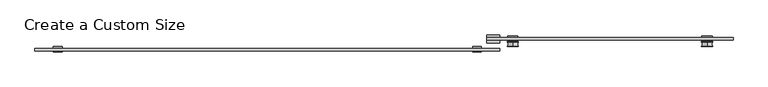
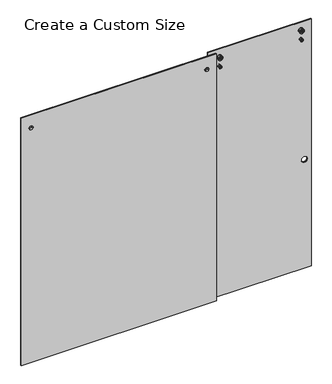
"""IFC4 building model written with IfcOpenShell, lengths in millimetres: proxy geometry, Create a Custom Size."""

from ifc_helpers import new_model, si_unit, point, frame, frame_2d, origin, place, context, project, spatial, polyline, circle_curve, ellipse_curve, trimmed, segment, composite_curve, outline, extrude, source, transform, mapped, element, save
from ifc_brep_helpers import plane_surface, cylinder_surface, revolved_surface, advanced_brep


def create_a_custom_size_71fc6b67(model_context):
    return source(origin(), model_context, "Body", "SolidModel", [
        extrude(outline(polyline([(22.954, 0.0), (22.954, 21.2725), (33.8125, 21.2725), (33.8125, 4.2672), (43.3375, 4.2672), (43.3375, 21.2725), (54.196, 21.2725), (54.196, 0.0), (22.954, 0.0)])), frame((401.6375, 0.0, 0.0), z_axis=(1.0, 0.0, 0.0), x_axis=(0.0, 1.0, 0.0)), (0.0, 0.0, 1.0), 50.8225782),
        advanced_brep(
        [(363.5375, 7.14375, 2316.3609375), (380.6825, 7.14375, 2316.3609375), (346.3925, 7.14375, 2316.3609375), (346.3925, -13.7914063, 2316.3609375), (380.6825, -13.7914063, 2316.3609375), (363.5375, -13.7914063, 2316.3609375), (346.3925, -8.73125, 2316.3609375), (380.6825, -8.73125, 2316.3609375), (357.1875, -8.73125, 2316.3609375), (369.8875, -8.73125, 2316.3609375), (357.1875, 0.79375, 2316.3609375), (369.8875, 0.79375, 2316.3609375), (346.3925, 0.79375, 2316.3609375), (380.6825, 0.79375, 2316.3609375)],
        [
            (0, 1),
            (1, 2, circle_curve(frame((363.5375, 7.14375, 2316.3609375), z_axis=(0.0, 1.0, 0.0), x_axis=(1.0, 0.0, 0.0)), 17.145)),
            (2, 0),
            (2, 1, circle_curve(frame((363.5375, 7.14375, 2316.3609375), z_axis=(0.0, 1.0, 0.0), x_axis=(1.0, 0.0, 0.0)), 17.145)),
            (3, 4, circle_curve(frame((363.5375, -13.7914063, 2316.3609375), z_axis=(0.0, -1.0, 0.0), x_axis=(1.0, 0.0, 0.0)), 17.145)),
            (4, 5),
            (5, 3),
            (4, 3, circle_curve(frame((363.5375, -13.7914063, 2316.3609375), z_axis=(0.0, -1.0, 0.0), x_axis=(1.0, 0.0, 0.0)), 17.145)),
            (6, 7, circle_curve(frame((363.5375, -8.73125, 2316.3609375), z_axis=(0.0, -1.0, 0.0), x_axis=(1.0, 0.0, 0.0)), 17.145)),
            (7, 4),
            (3, 6),
            (7, 6, circle_curve(frame((363.5375, -8.73125, 2316.3609375), z_axis=(0.0, -1.0, 0.0), x_axis=(1.0, 0.0, 0.0)), 17.145)),
            (8, 9, circle_curve(frame((363.5375, -8.73125, 2316.3609375), z_axis=(0.0, -1.0, 0.0), x_axis=(1.0, 0.0, 0.0)), 6.35)),
            (9, 7),
            (6, 8),
            (9, 8, circle_curve(frame((363.5375, -8.73125, 2316.3609375), z_axis=(0.0, -1.0, 0.0), x_axis=(1.0, 0.0, 0.0)), 6.35)),
            (10, 11, circle_curve(frame((363.5375, 0.79375, 2316.3609375), z_axis=(0.0, -1.0, 0.0), x_axis=(1.0, 0.0, 0.0)), 6.35)),
            (11, 9),
            (8, 10),
            (11, 10, circle_curve(frame((363.5375, 0.79375, 2316.3609375), z_axis=(0.0, -1.0, 0.0), x_axis=(1.0, 0.0, 0.0)), 6.35)),
            (12, 13, circle_curve(frame((363.5375, 0.79375, 2316.3609375), z_axis=(0.0, -1.0, 0.0), x_axis=(1.0, 0.0, 0.0)), 17.145)),
            (13, 11),
            (10, 12),
            (13, 12, circle_curve(frame((363.5375, 0.79375, 2316.3609375), z_axis=(0.0, -1.0, 0.0), x_axis=(1.0, 0.0, 0.0)), 17.145)),
            (1, 13),
            (12, 2),
        ],
        [
            plane_surface(frame((363.5375, 7.14375, 2316.3609375), z_axis=(0.0, 1.0, 0.0), x_axis=(1.0, 0.0, 0.0))),
            plane_surface(frame((363.5375, -13.7914063, 2316.3609375), z_axis=(0.0, -1.0, 0.0), x_axis=(1.0, 0.0, 0.0))),
            cylinder_surface(frame((363.5375, 7.14375, 2316.3609375), z_axis=(0.0, 1.0, 0.0), x_axis=(1.0, 0.0, 0.0)), 17.145),
            plane_surface(frame((363.5375, -8.73125, 2316.3609375), z_axis=(0.0, 1.0, 0.0), x_axis=(1.0, 0.0, 0.0))),
            cylinder_surface(frame((363.5375, 7.14375, 2316.3609375), z_axis=(0.0, 1.0, 0.0), x_axis=(1.0, 0.0, 0.0)), 6.35),
            plane_surface(frame((363.5375, 0.79375, 2316.3609375), z_axis=(0.0, -1.0, 0.0), x_axis=(1.0, 0.0, 0.0))),
        ],
        [
            (0, [[1, 2, 3]]),
            (0, [[-3, 4, -1]]),
            (1, [[5, 6, 7]]),
            (1, [[8, -7, -6]]),
            (2, [[9, 10, -5, 11]]),
            (2, [[12, -11, -8, -10]]),
            (3, [[13, 14, -9, 15]]),
            (3, [[16, -15, -12, -14]]),
            (4, [[17, 18, -13, 19]]),
            (4, [[20, -19, -16, -18]]),
            (5, [[21, 22, -17, 23]]),
            (5, [[24, -23, -20, -22]]),
            (2, [[-2, 25, -21, 26]]),
            (2, [[-4, -26, -24, -25]]),
        ],
    ),
        advanced_brep(
        [(-1274.7625, 7.14375, 2316.3609375), (-1257.6175, 7.14375, 2316.3609375), (-1291.9075, 7.14375, 2316.3609375), (-1291.9075, -13.7914063, 2316.3609375), (-1257.6175, -13.7914063, 2316.3609375), (-1274.7625, -13.7914063, 2316.3609375), (-1291.9075, -8.73125, 2316.3609375), (-1257.6175, -8.73125, 2316.3609375), (-1281.1125, -8.73125, 2316.3609375), (-1268.4125, -8.73125, 2316.3609375), (-1281.1125, 0.79375, 2316.3609375), (-1268.4125, 0.79375, 2316.3609375), (-1291.9075, 0.79375, 2316.3609375), (-1257.6175, 0.79375, 2316.3609375)],
        [
            (0, 1),
            (1, 2, circle_curve(frame((-1274.7625, 7.14375, 2316.3609375), z_axis=(0.0, 1.0, 0.0), x_axis=(1.0, 0.0, 0.0)), 17.145)),
            (2, 0),
            (2, 1, circle_curve(frame((-1274.7625, 7.14375, 2316.3609375), z_axis=(0.0, 1.0, 0.0), x_axis=(1.0, 0.0, 0.0)), 17.145)),
            (3, 4, circle_curve(frame((-1274.7625, -13.7914063, 2316.3609375), z_axis=(0.0, -1.0, 0.0), x_axis=(1.0, 0.0, 0.0)), 17.145)),
            (4, 5),
            (5, 3),
            (4, 3, circle_curve(frame((-1274.7625, -13.7914063, 2316.3609375), z_axis=(0.0, -1.0, 0.0), x_axis=(1.0, 0.0, 0.0)), 17.145)),
            (6, 7, circle_curve(frame((-1274.7625, -8.73125, 2316.3609375), z_axis=(0.0, -1.0, 0.0), x_axis=(1.0, 0.0, 0.0)), 17.145)),
            (7, 4),
            (3, 6),
            (7, 6, circle_curve(frame((-1274.7625, -8.73125, 2316.3609375), z_axis=(0.0, -1.0, 0.0), x_axis=(1.0, 0.0, 0.0)), 17.145)),
            (8, 9, circle_curve(frame((-1274.7625, -8.73125, 2316.3609375), z_axis=(0.0, -1.0, 0.0), x_axis=(1.0, 0.0, 0.0)), 6.35)),
            (9, 7),
            (6, 8),
            (9, 8, circle_curve(frame((-1274.7625, -8.73125, 2316.3609375), z_axis=(0.0, -1.0, 0.0), x_axis=(1.0, 0.0, 0.0)), 6.35)),
            (10, 11, circle_curve(frame((-1274.7625, 0.79375, 2316.3609375), z_axis=(0.0, -1.0, 0.0), x_axis=(1.0, 0.0, 0.0)), 6.35)),
            (11, 9),
            (8, 10),
            (11, 10, circle_curve(frame((-1274.7625, 0.79375, 2316.3609375), z_axis=(0.0, -1.0, 0.0), x_axis=(1.0, 0.0, 0.0)), 6.35)),
            (12, 13, circle_curve(frame((-1274.7625, 0.79375, 2316.3609375), z_axis=(0.0, -1.0, 0.0), x_axis=(1.0, 0.0, 0.0)), 17.145)),
            (13, 11),
            (10, 12),
            (13, 12, circle_curve(frame((-1274.7625, 0.79375, 2316.3609375), z_axis=(0.0, -1.0, 0.0), x_axis=(1.0, 0.0, 0.0)), 17.145)),
            (1, 13),
            (12, 2),
        ],
        [
            plane_surface(frame((-1274.7625, 7.14375, 2316.3609375), z_axis=(0.0, 1.0, 0.0), x_axis=(1.0, 0.0, 0.0))),
            plane_surface(frame((-1274.7625, -13.7914063, 2316.3609375), z_axis=(0.0, -1.0, 0.0), x_axis=(1.0, 0.0, 0.0))),
            cylinder_surface(frame((-1274.7625, 7.14375, 2316.3609375), z_axis=(0.0, 1.0, 0.0), x_axis=(1.0, 0.0, 0.0)), 17.145),
            plane_surface(frame((-1274.7625, -8.73125, 2316.3609375), z_axis=(0.0, 1.0, 0.0), x_axis=(1.0, 0.0, 0.0))),
            cylinder_surface(frame((-1274.7625, 7.14375, 2316.3609375), z_axis=(0.0, 1.0, 0.0), x_axis=(1.0, 0.0, 0.0)), 6.35),
            plane_surface(frame((-1274.7625, 0.79375, 2316.3609375), z_axis=(0.0, -1.0, 0.0), x_axis=(1.0, 0.0, 0.0))),
        ],
        [
            (0, [[1, 2, 3]]),
            (0, [[-3, 4, -1]]),
            (1, [[5, 6, 7]]),
            (1, [[8, -7, -6]]),
            (2, [[9, 10, -5, 11]]),
            (2, [[12, -11, -8, -10]]),
            (3, [[13, 14, -9, 15]]),
            (3, [[16, -15, -12, -14]]),
            (4, [[17, 18, -13, 19]]),
            (4, [[20, -19, -16, -18]]),
            (5, [[21, 22, -17, 23]]),
            (5, [[24, -23, -20, -22]]),
            (2, [[-2, 25, -21, 26]]),
            (2, [[-4, -26, -24, -25]]),
        ],
    ),
        extrude(outline(polyline([(452.4375, -8.73125), (-1363.6625, -8.73125), (-1363.6625, 0.79375), (452.4375, 0.79375), (452.4375, -8.73125)])), frame((0.0, 0.0, 6.35), z_axis=(0.0, 0.0, 1.0), x_axis=(1.0, 0.0, 0.0)), (0.0, 0.0, 1.0), 2432.05),
        advanced_brep(
        [(1262.0625, 7.5883812, 2280.5082127), (1262.0625, 7.5883812, 2272.8386623), (1262.0625, 7.5883812, 2275.0859375), (1262.0625, 7.5883812, 2278.2609375), (1262.0625, 8.985918, 2288.9389114), (1262.0625, 8.985918, 2264.4079636), (1262.0625, 7.6256516, 2265.2379605), (1262.0625, 7.6256516, 2288.1089145), (1262.0625, 26.3538192, 2289.0064616), (1262.0625, 26.3538192, 2264.3404134), (1262.0625, 27.4625, 2278.2609375), (1262.0625, 27.4625, 2275.0859375), (1262.0625, 27.4625, 2264.3404134), (1262.0625, 27.4625, 2289.0064616), (1262.0625, 8.6630529, 2280.5082127), (1262.0625, 8.6630529, 2272.8386623), (1262.0625, 8.6630529, 2283.6596289), (1262.0625, 8.6630529, 2269.6872461), (1262.0625, 7.6256516, 2283.6596289), (1262.0625, 7.6256516, 2269.6872461)],
        [
            (0, 1, circle_curve(frame((1262.0625, 7.5883812, 2276.6734375), z_axis=(0.0, -1.0, 0.0), x_axis=(0.0, 0.0, -1.0)), 3.8347752)),
            (1, 2),
            (2, 3, circle_curve(frame((1262.0625, 7.5883812, 2276.6734375), z_axis=(0.0, 1.0, 0.0), x_axis=(0.0, 0.0, -1.0)), 1.5875)),
            (3, 0),
            (1, 0, circle_curve(frame((1262.0625, 7.5883812, 2276.6734375), z_axis=(0.0, -1.0, 0.0), x_axis=(0.0, 0.0, -1.0)), 3.8347752)),
            (3, 2, circle_curve(frame((1262.0625, 7.5883812, 2276.6734375), z_axis=(0.0, 1.0, 0.0), x_axis=(0.0, 0.0, -1.0)), 1.5875)),
            (4, 5, circle_curve(frame((1262.0625, 8.985918, 2276.6734375), z_axis=(0.0, -1.0, 0.0), x_axis=(0.0, 0.0, -1.0)), 12.2654739)),
            (5, 6, circle_curve(frame((1262.0625, 8.5590054, 2265.2379605), z_axis=(-1.0, 0.0, 0.0), x_axis=(0.0, 1.0, 0.0)), 0.9333538)),
            (6, 7, circle_curve(frame((1262.0625, 7.6256516, 2276.6734375), z_axis=(0.0, 1.0, 0.0), x_axis=(0.0, 0.0, -1.0)), 11.435477)),
            (7, 4, circle_curve(frame((1262.0625, 8.5590054, 2288.1089145), z_axis=(-1.0, 0.0, 0.0), x_axis=(0.0, 1.0, 0.0)), 0.9333538)),
            (5, 4, circle_curve(frame((1262.0625, 8.985918, 2276.6734375), z_axis=(0.0, -1.0, 0.0), x_axis=(0.0, 0.0, -1.0)), 12.2654739)),
            (7, 6, circle_curve(frame((1262.0625, 7.6256516, 2276.6734375), z_axis=(0.0, 1.0, 0.0), x_axis=(0.0, 0.0, -1.0)), 11.435477)),
            (8, 9, circle_curve(frame((1262.0625, 26.3538192, 2276.6734375), z_axis=(0.0, -1.0, 0.0), x_axis=(0.0, 0.0, -1.0)), 12.3330241)),
            (9, 5, circle_curve(frame((1262.0625, 17.5686149, 2238.3407643), z_axis=(1.0, 0.0, 0.0), x_axis=(0.0, 1.0, 0.0)), 27.4437892)),
            (4, 8, circle_curve(frame((1262.0625, 17.5686149, 2315.0061107), z_axis=(1.0, 0.0, 0.0), x_axis=(0.0, 1.0, 0.0)), 27.4437892)),
            (9, 8, circle_curve(frame((1262.0625, 26.3538192, 2276.6734375), z_axis=(0.0, -1.0, 0.0), x_axis=(0.0, 0.0, -1.0)), 12.3330241)),
            (10, 11, circle_curve(frame((1262.0625, 27.4625, 2276.6734375), z_axis=(0.0, -1.0, 0.0), x_axis=(0.0, 0.0, -1.0)), 1.5875)),
            (11, 12),
            (12, 13, circle_curve(frame((1262.0625, 27.4625, 2276.6734375), z_axis=(0.0, 1.0, 0.0), x_axis=(0.0, 0.0, -1.0)), 12.3330241)),
            (13, 10),
            (11, 10, circle_curve(frame((1262.0625, 27.4625, 2276.6734375), z_axis=(0.0, -1.0, 0.0), x_axis=(0.0, 0.0, -1.0)), 1.5875)),
            (13, 12, circle_curve(frame((1262.0625, 27.4625, 2276.6734375), z_axis=(0.0, 1.0, 0.0), x_axis=(0.0, 0.0, -1.0)), 12.3330241)),
            (2, 11),
            (10, 3),
            (14, 15, circle_curve(frame((1262.0625, 8.6630529, 2276.6734375), z_axis=(0.0, -1.0, 0.0), x_axis=(0.0, 0.0, -1.0)), 3.8347752)),
            (15, 1),
            (0, 14),
            (15, 14, circle_curve(frame((1262.0625, 8.6630529, 2276.6734375), z_axis=(0.0, -1.0, 0.0), x_axis=(0.0, 0.0, -1.0)), 3.8347752)),
            (16, 17, circle_curve(frame((1262.0625, 8.6630529, 2276.6734375), z_axis=(0.0, -1.0, 0.0), x_axis=(0.0, 0.0, -1.0)), 6.9861914)),
            (17, 15),
            (14, 16),
            (17, 16, circle_curve(frame((1262.0625, 8.6630529, 2276.6734375), z_axis=(0.0, -1.0, 0.0), x_axis=(0.0, 0.0, -1.0)), 6.9861914)),
            (18, 19, circle_curve(frame((1262.0625, 7.6256516, 2276.6734375), z_axis=(0.0, -1.0, 0.0), x_axis=(0.0, 0.0, -1.0)), 6.9861914)),
            (19, 17),
            (16, 18),
            (19, 18, circle_curve(frame((1262.0625, 7.6256516, 2276.6734375), z_axis=(0.0, -1.0, 0.0), x_axis=(0.0, 0.0, -1.0)), 6.9861914)),
            (6, 19),
            (18, 7),
            (12, 9),
            (8, 13),
        ],
        [
            plane_surface(frame((1262.0625, 7.5883812, 2276.6734375), z_axis=(0.0, -1.0, 0.0), x_axis=(0.0, 0.0, -1.0))),
            revolved_surface(trimmed(ellipse_curve(frame((1262.0625, 8.5590054, 2265.2379605), z_axis=(1.0, 0.0, 0.0), x_axis=(0.0, 1.0, 0.0)), 0.9333538, 0.9333538), [point((1262.0625, 7.6256516, 2265.2379605))], [point((1262.0625, 8.985918, 2264.4079636))], True, "CARTESIAN"), (1262.0625, -13.5349359, 2276.6734375), (0.0, 1.0, 0.0)),
            revolved_surface(trimmed(ellipse_curve(frame((1262.0625, 17.5686149, 2238.3407643), z_axis=(-1.0, 0.0, 0.0), x_axis=(0.0, 1.0, 0.0)), 27.4437892, 27.4437892), [point((1262.0625, 8.985918, 2264.4079636))], [point((1262.0625, 26.3538192, 2264.3404134))], True, "CARTESIAN"), (1262.0625, -13.5349359, 2276.6734375), (0.0, 1.0, 0.0)),
            plane_surface(frame((1262.0625, 27.4625, 2276.6734375), z_axis=(0.0, 1.0, 0.0), x_axis=(0.0, 0.0, -1.0))),
            revolved_surface(polyline([(1262.0625, 27.4625, 2275.0859375), (1262.0625, 7.588381200000001, 2275.0859375)]), (1262.0625, -13.5349359, 2276.6734375), (0.0, 1.0, 0.0)),
            cylinder_surface(frame((1262.0625, -13.5349359, 2276.6734375), z_axis=(0.0, 1.0, 0.0), x_axis=(0.0, 0.0, -1.0)), 3.8347752),
            plane_surface(frame((1262.0625, 8.6630529, 2276.6734375), z_axis=(0.0, -1.0, 0.0), x_axis=(0.0, 0.0, -1.0))),
            revolved_surface(polyline([(1262.0625, 8.6630529, 2269.6872461000003), (1262.0625, 7.625651600000001, 2269.6872461000003)]), (1262.0625, -13.5349359, 2276.6734375), (0.0, 1.0, 0.0)),
            plane_surface(frame((1262.0625, 7.6256516, 2276.6734375), z_axis=(0.0, -1.0, 0.0), x_axis=(0.0, 0.0, -1.0))),
            cylinder_surface(frame((1262.0625, -13.5349359, 2276.6734375), z_axis=(0.0, 1.0, 0.0), x_axis=(0.0, 0.0, -1.0)), 12.3330241),
        ],
        [
            (0, [[1, 2, 3, 4]]),
            (0, [[5, -4, 6, -2]]),
            (1, [[7, 8, 9, 10]]),
            (1, [[11, -10, 12, -8]]),
            (2, [[13, 14, -7, 15]]),
            (2, [[16, -15, -11, -14]]),
            (3, [[17, 18, 19, 20]]),
            (3, [[21, -20, 22, -18]]),
            (4, [[-3, 23, -17, 24]]),
            (4, [[-6, -24, -21, -23]]),
            (5, [[25, 26, -1, 27]]),
            (5, [[28, -27, -5, -26]]),
            (6, [[29, 30, -25, 31]]),
            (6, [[32, -31, -28, -30]]),
            (7, [[33, 34, -29, 35]]),
            (7, [[36, -35, -32, -34]]),
            (8, [[-9, 37, -33, 38]]),
            (8, [[-12, -38, -36, -37]]),
            (9, [[-19, 39, -13, 40]]),
            (9, [[-22, -40, -16, -39]]),
        ],
    ),
        advanced_brep(
        [(1262.0625, 23.9534145, 2379.5365624), (1262.0625, 23.9534145, 2351.6103126), (1262.0625, 27.4625, 2351.6103126), (1262.0625, 27.4625, 2379.5365624), (1262.0625, 23.9534145, 2371.8068419), (1262.0625, 23.9534145, 2359.3400331), (1262.0625, 27.4625, 2371.8068419), (1262.0625, 27.4625, 2359.3400331), (1262.0625, 27.4625, 2367.1609375), (1262.0625, 27.4625, 2363.9859375), (1262.0625, 7.4625, 2371.8068419), (1262.0625, 7.4625, 2359.3400331), (1262.0625, 7.4625, 2363.9859375), (1262.0625, 7.4625, 2367.1609375), (1262.0625, 8.6630529, 2371.8068419), (1262.0625, 8.6630529, 2359.3400331), (1262.0625, 8.6630529, 2379.5365624), (1262.0625, 8.6630529, 2351.6103126), (1262.0625, 7.4625, 2379.5365624), (1262.0625, 7.4625, 2351.6103126), (1262.0625, 7.4625, 2386.5122212), (1262.0625, 7.4625, 2344.6346538), (1262.0625, 8.8478411, 2387.4587111), (1262.0625, 8.8478411, 2343.6881639), (1262.0625, 26.0771589, 2387.4587111), (1262.0625, 26.0771589, 2343.6881639), (1262.0625, 27.4625, 2386.5122212), (1262.0625, 27.4625, 2344.6346538)],
        [
            (0, 1, circle_curve(frame((1262.0625, 23.9534145, 2365.5734375), z_axis=(0.0, -1.0, 0.0), x_axis=(0.0, 0.0, -1.0)), 13.9631249)),
            (1, 2),
            (2, 3, circle_curve(frame((1262.0625, 27.4625, 2365.5734375), z_axis=(0.0, 1.0, 0.0), x_axis=(0.0, 0.0, -1.0)), 13.9631249)),
            (3, 0),
            (1, 0, circle_curve(frame((1262.0625, 23.9534145, 2365.5734375), z_axis=(0.0, -1.0, 0.0), x_axis=(0.0, 0.0, -1.0)), 13.9631249)),
            (3, 2, circle_curve(frame((1262.0625, 27.4625, 2365.5734375), z_axis=(0.0, 1.0, 0.0), x_axis=(0.0, 0.0, -1.0)), 13.9631249)),
            (4, 5, circle_curve(frame((1262.0625, 23.9534145, 2365.5734375), z_axis=(0.0, -1.0, 0.0), x_axis=(0.0, 0.0, -1.0)), 6.2334044)),
            (5, 1),
            (0, 4),
            (5, 4, circle_curve(frame((1262.0625, 23.9534145, 2365.5734375), z_axis=(0.0, -1.0, 0.0), x_axis=(0.0, 0.0, -1.0)), 6.2334044)),
            (6, 7, circle_curve(frame((1262.0625, 27.4625, 2365.5734375), z_axis=(0.0, -1.0, 0.0), x_axis=(0.0, 0.0, -1.0)), 6.2334044)),
            (7, 5),
            (4, 6),
            (7, 6, circle_curve(frame((1262.0625, 27.4625, 2365.5734375), z_axis=(0.0, -1.0, 0.0), x_axis=(0.0, 0.0, -1.0)), 6.2334044)),
            (8, 9, circle_curve(frame((1262.0625, 27.4625, 2365.5734375), z_axis=(0.0, -1.0, 0.0), x_axis=(0.0, 0.0, -1.0)), 1.5875)),
            (9, 7),
            (6, 8),
            (9, 8, circle_curve(frame((1262.0625, 27.4625, 2365.5734375), z_axis=(0.0, -1.0, 0.0), x_axis=(0.0, 0.0, -1.0)), 1.5875)),
            (10, 11, circle_curve(frame((1262.0625, 7.4625, 2365.5734375), z_axis=(0.0, -1.0, 0.0), x_axis=(0.0, 0.0, -1.0)), 6.2334044)),
            (11, 12),
            (12, 13, circle_curve(frame((1262.0625, 7.4625, 2365.5734375), z_axis=(0.0, 1.0, 0.0), x_axis=(0.0, 0.0, -1.0)), 1.5875)),
            (13, 10),
            (11, 10, circle_curve(frame((1262.0625, 7.4625, 2365.5734375), z_axis=(0.0, -1.0, 0.0), x_axis=(0.0, 0.0, -1.0)), 6.2334044)),
            (13, 12, circle_curve(frame((1262.0625, 7.4625, 2365.5734375), z_axis=(0.0, 1.0, 0.0), x_axis=(0.0, 0.0, -1.0)), 1.5875)),
            (14, 15, circle_curve(frame((1262.0625, 8.6630529, 2365.5734375), z_axis=(0.0, -1.0, 0.0), x_axis=(0.0, 0.0, -1.0)), 6.2334044)),
            (15, 11),
            (10, 14),
            (15, 14, circle_curve(frame((1262.0625, 8.6630529, 2365.5734375), z_axis=(0.0, -1.0, 0.0), x_axis=(0.0, 0.0, -1.0)), 6.2334044)),
            (16, 17, circle_curve(frame((1262.0625, 8.6630529, 2365.5734375), z_axis=(0.0, -1.0, 0.0), x_axis=(0.0, 0.0, -1.0)), 13.9631249)),
            (17, 15),
            (14, 16),
            (17, 16, circle_curve(frame((1262.0625, 8.6630529, 2365.5734375), z_axis=(0.0, -1.0, 0.0), x_axis=(0.0, 0.0, -1.0)), 13.9631249)),
            (18, 19, circle_curve(frame((1262.0625, 7.4625, 2365.5734375), z_axis=(0.0, -1.0, 0.0), x_axis=(0.0, 0.0, -1.0)), 13.9631249)),
            (19, 17),
            (16, 18),
            (19, 18, circle_curve(frame((1262.0625, 7.4625, 2365.5734375), z_axis=(0.0, -1.0, 0.0), x_axis=(0.0, 0.0, -1.0)), 13.9631249)),
            (20, 21, circle_curve(frame((1262.0625, 7.4625, 2365.5734375), z_axis=(0.0, -1.0, 0.0), x_axis=(0.0, 0.0, -1.0)), 20.9387837)),
            (21, 19),
            (18, 20),
            (21, 20, circle_curve(frame((1262.0625, 7.4625, 2365.5734375), z_axis=(0.0, -1.0, 0.0), x_axis=(0.0, 0.0, -1.0)), 20.9387837)),
            (22, 23, circle_curve(frame((1262.0625, 8.8478411, 2365.5734375), z_axis=(0.0, -1.0, 0.0), x_axis=(0.0, 0.0, -1.0)), 21.8852736)),
            (23, 21, circle_curve(frame((1262.0625, 8.4785, 2344.6346538), z_axis=(-1.0, 0.0, 0.0), x_axis=(0.0, 1.0, 0.0)), 1.016)),
            (20, 22, circle_curve(frame((1262.0625, 8.4785, 2386.5122212), z_axis=(-1.0, 0.0, 0.0), x_axis=(0.0, 1.0, 0.0)), 1.016)),
            (23, 22, circle_curve(frame((1262.0625, 8.8478411, 2365.5734375), z_axis=(0.0, -1.0, 0.0), x_axis=(0.0, 0.0, -1.0)), 21.8852736)),
            (24, 25, circle_curve(frame((1262.0625, 26.0771589, 2365.5734375), z_axis=(0.0, -1.0, 0.0), x_axis=(0.0, 0.0, -1.0)), 21.8852736)),
            (25, 23, circle_curve(frame((1262.0625, 17.4625, 2334.3308223), z_axis=(1.0, 0.0, 0.0), x_axis=(0.0, 1.0, 0.0)), 12.7189697)),
            (22, 24, circle_curve(frame((1262.0625, 17.4625, 2396.8160527), z_axis=(1.0, 0.0, 0.0), x_axis=(0.0, 1.0, 0.0)), 12.7189697)),
            (25, 24, circle_curve(frame((1262.0625, 26.0771589, 2365.5734375), z_axis=(0.0, -1.0, 0.0), x_axis=(0.0, 0.0, -1.0)), 21.8852736)),
            (26, 27, circle_curve(frame((1262.0625, 27.4625, 2365.5734375), z_axis=(0.0, -1.0, 0.0), x_axis=(0.0, 0.0, -1.0)), 20.9387837)),
            (27, 25, circle_curve(frame((1262.0625, 26.4465, 2344.6346538), z_axis=(-1.0, 0.0, 0.0), x_axis=(0.0, 1.0, 0.0)), 1.016)),
            (24, 26, circle_curve(frame((1262.0625, 26.4465, 2386.5122212), z_axis=(-1.0, 0.0, 0.0), x_axis=(0.0, 1.0, 0.0)), 1.016)),
            (27, 26, circle_curve(frame((1262.0625, 27.4625, 2365.5734375), z_axis=(0.0, -1.0, 0.0), x_axis=(0.0, 0.0, -1.0)), 20.9387837)),
            (2, 27),
            (26, 3),
            (12, 9),
            (8, 13),
        ],
        [
            revolved_surface(polyline([(1262.0625, 27.4625, 2351.6103126000003), (1262.0625, 23.9534145, 2351.6103126000003)]), (1262.0625, -10.752517, 2365.5734375), (0.0, 1.0, 0.0)),
            plane_surface(frame((1262.0625, 23.9534145, 2365.5734375), z_axis=(0.0, 1.0, 0.0), x_axis=(0.0, 0.0, -1.0))),
            cylinder_surface(frame((1262.0625, -10.752517, 2365.5734375), z_axis=(0.0, 1.0, 0.0), x_axis=(0.0, 0.0, -1.0)), 6.2334044),
            plane_surface(frame((1262.0625, 27.4625, 2365.5734375), z_axis=(0.0, 1.0, 0.0), x_axis=(0.0, 0.0, -1.0))),
            plane_surface(frame((1262.0625, 7.4625, 2365.5734375), z_axis=(0.0, -1.0, 0.0), x_axis=(0.0, 0.0, -1.0))),
            plane_surface(frame((1262.0625, 8.6630529, 2365.5734375), z_axis=(0.0, -1.0, 0.0), x_axis=(0.0, 0.0, -1.0))),
            revolved_surface(polyline([(1262.0625, 8.663052900000002, 2351.6103126000003), (1262.0625, 7.4625, 2351.6103126000003)]), (1262.0625, -10.752517, 2365.5734375), (0.0, 1.0, 0.0)),
            revolved_surface(trimmed(ellipse_curve(frame((1262.0625, 8.4785, 2344.6346538), z_axis=(1.0, 0.0, 0.0), x_axis=(0.0, 1.0, 0.0)), 1.016, 1.016), [point((1262.0625, 7.4625, 2344.6346538))], [point((1262.0625, 8.8478411, 2343.6881639))], True, "CARTESIAN"), (1262.0625, -10.752517, 2365.5734375), (0.0, 1.0, 0.0)),
            revolved_surface(trimmed(ellipse_curve(frame((1262.0625, 17.4625, 2334.3308223), z_axis=(-1.0, 0.0, 0.0), x_axis=(0.0, 1.0, 0.0)), 12.7189697, 12.7189697), [point((1262.0625, 8.8478411, 2343.6881639))], [point((1262.0625, 26.0771589, 2343.6881639))], True, "CARTESIAN"), (1262.0625, -10.752517, 2365.5734375), (0.0, 1.0, 0.0)),
            revolved_surface(trimmed(ellipse_curve(frame((1262.0625, 26.4465, 2344.6346538), z_axis=(1.0, 0.0, 0.0), x_axis=(0.0, 1.0, 0.0)), 1.016, 1.016), [point((1262.0625, 26.0771589, 2343.6881639))], [point((1262.0625, 27.4625, 2344.6346538))], True, "CARTESIAN"), (1262.0625, -10.752517, 2365.5734375), (0.0, 1.0, 0.0)),
            revolved_surface(polyline([(1262.0625, 27.4625, 2363.9859375), (1262.0625, 7.4625, 2363.9859375)]), (1262.0625, -10.752517, 2365.5734375), (0.0, 1.0, 0.0)),
        ],
        [
            (0, [[1, 2, 3, 4]]),
            (0, [[5, -4, 6, -2]]),
            (1, [[7, 8, -1, 9]]),
            (1, [[10, -9, -5, -8]]),
            (2, [[11, 12, -7, 13]]),
            (2, [[14, -13, -10, -12]]),
            (3, [[15, 16, -11, 17]]),
            (3, [[18, -17, -14, -16]]),
            (4, [[19, 20, 21, 22]]),
            (4, [[23, -22, 24, -20]]),
            (2, [[25, 26, -19, 27]]),
            (2, [[28, -27, -23, -26]]),
            (5, [[29, 30, -25, 31]]),
            (5, [[32, -31, -28, -30]]),
            (6, [[33, 34, -29, 35]]),
            (6, [[36, -35, -32, -34]]),
            (4, [[37, 38, -33, 39]]),
            (4, [[40, -39, -36, -38]]),
            (7, [[41, 42, -37, 43]]),
            (7, [[44, -43, -40, -42]]),
            (8, [[45, 46, -41, 47]]),
            (8, [[48, -47, -44, -46]]),
            (9, [[49, 50, -45, 51]]),
            (9, [[52, -51, -48, -50]]),
            (3, [[-3, 53, -49, 54]]),
            (3, [[-6, -54, -52, -53]]),
            (10, [[-21, 55, -15, 56]]),
            (10, [[-24, -56, -18, -55]]),
        ],
    ),
        extrude(outline(composite_curve([segment(trimmed(circle_curve(frame_2d((2276.6734375, 1262.0625)), 6.35), [point((2276.6734375, 1255.7125))], [point((2276.6734375, 1268.4125))], False, "CARTESIAN"), True, "CONTINUOUS"), segment(trimmed(circle_curve(frame_2d((2276.6734375, 1262.0625)), 6.35), [point((2276.6734375, 1268.4125))], [point((2276.6734375, 1255.7125))], False, "CARTESIAN"), True, "CONTINUOUS")], self_intersect=False)), frame((0.0, 33.8125, 0.0), z_axis=(0.0, 1.0, 0.0), x_axis=(0.0, 0.0, 1.0)), (0.0, 0.0, 1.0), 9.525),
        extrude(outline(composite_curve([segment(trimmed(circle_curve(frame_2d((2365.5734375, 1262.0625)), 6.35), [point((2365.5734375, 1255.7125))], [point((2365.5734375, 1268.4125))], False, "CARTESIAN"), True, "CONTINUOUS"), segment(trimmed(circle_curve(frame_2d((2365.5734375, 1262.0625)), 6.35), [point((2365.5734375, 1268.4125))], [point((2365.5734375, 1255.7125))], False, "CARTESIAN"), True, "CONTINUOUS")], self_intersect=False)), frame((0.0, 33.8125, 0.0), z_axis=(0.0, 1.0, 0.0), x_axis=(0.0, 0.0, 1.0)), (0.0, 0.0, 1.0), 9.525),
        extrude(outline(composite_curve([segment(trimmed(circle_curve(frame_2d((2276.6734375, 1262.0625)), 12.2900341), [point((2276.6734375, 1249.7724659))], [point((2276.6734375, 1274.3525341))], False, "CARTESIAN"), True, "CONTINUOUS"), segment(trimmed(circle_curve(frame_2d((2276.6734375, 1262.0625)), 12.2900341), [point((2276.6734375, 1274.3525341))], [point((2276.6734375, 1249.7724659))], False, "CARTESIAN"), True, "CONTINUOUS")], self_intersect=False)), frame((0.0, 43.3375, 0.0), z_axis=(0.0, 1.0, 0.0), x_axis=(0.0, 0.0, 1.0)), (0.0, 0.0, 1.0), 5.7785),
        extrude(outline(composite_curve([segment(trimmed(circle_curve(frame_2d((2365.5734375, 1262.0625)), 19.939), [point((2365.5734375, 1242.1235))], [point((2365.5734375, 1282.0015))], False, "CARTESIAN"), True, "CONTINUOUS"), segment(trimmed(circle_curve(frame_2d((2365.5734375, 1262.0625)), 19.939), [point((2365.5734375, 1282.0015))], [point((2365.5734375, 1242.1235))], False, "CARTESIAN"), True, "CONTINUOUS")], self_intersect=False)), frame((0.0, 43.3375, 0.0), z_axis=(0.0, 1.0, 0.0), x_axis=(0.0, 0.0, 1.0)), (0.0, 0.0, 1.0), 5.7625),
        extrude(outline(composite_curve([segment(trimmed(circle_curve(frame_2d((2365.5734375, 1262.0625)), 19.939), [point((2365.5734375, 1242.1235))], [point((2365.5734375, 1282.0015))], False, "CARTESIAN"), True, "CONTINUOUS"), segment(trimmed(circle_curve(frame_2d((2365.5734375, 1262.0625)), 19.939), [point((2365.5734375, 1282.0015))], [point((2365.5734375, 1242.1235))], False, "CARTESIAN"), True, "CONTINUOUS")], self_intersect=False)), frame((0.0, 27.4625, 0.0), z_axis=(0.0, 1.0, 0.0), x_axis=(0.0, 0.0, 1.0)), (0.0, 0.0, 1.0), 6.35),
        extrude(outline(composite_curve([segment(trimmed(circle_curve(frame_2d((2276.6734375, 1262.0625)), 12.3344302), [point((2276.6734375, 1249.7280698))], [point((2276.6734375, 1274.3969302))], False, "CARTESIAN"), True, "CONTINUOUS"), segment(trimmed(circle_curve(frame_2d((2276.6734375, 1262.0625)), 12.3344302), [point((2276.6734375, 1274.3969302))], [point((2276.6734375, 1249.7280698))], False, "CARTESIAN"), True, "CONTINUOUS")], self_intersect=False)), frame((0.0, 27.4625, 0.0), z_axis=(0.0, 1.0, 0.0), x_axis=(0.0, 0.0, 1.0)), (0.0, 0.0, 1.0), 6.35),
        advanced_brep(
        [(503.2375, 7.5883812, 2280.5082127), (503.2375, 7.5883812, 2272.8386623), (503.2375, 7.5883812, 2275.0859375), (503.2375, 7.5883812, 2278.2609375), (503.2375, 8.985918, 2288.9389114), (503.2375, 8.985918, 2264.4079636), (503.2375, 7.6256516, 2265.2379605), (503.2375, 7.6256516, 2288.1089145), (503.2375, 26.3538192, 2289.0064616), (503.2375, 26.3538192, 2264.3404134), (503.2375, 27.4625, 2278.2609375), (503.2375, 27.4625, 2275.0859375), (503.2375, 27.4625, 2264.3404134), (503.2375, 27.4625, 2289.0064616), (503.2375, 8.6630529, 2280.5082127), (503.2375, 8.6630529, 2272.8386623), (503.2375, 8.6630529, 2283.6596289), (503.2375, 8.6630529, 2269.6872461), (503.2375, 7.6256516, 2283.6596289), (503.2375, 7.6256516, 2269.6872461)],
        [
            (0, 1, circle_curve(frame((503.2375, 7.5883812, 2276.6734375), z_axis=(0.0, -1.0, 0.0), x_axis=(0.0, 0.0, -1.0)), 3.8347752)),
            (1, 2),
            (2, 3, circle_curve(frame((503.2375, 7.5883812, 2276.6734375), z_axis=(0.0, 1.0, 0.0), x_axis=(0.0, 0.0, -1.0)), 1.5875)),
            (3, 0),
            (1, 0, circle_curve(frame((503.2375, 7.5883812, 2276.6734375), z_axis=(0.0, -1.0, 0.0), x_axis=(0.0, 0.0, -1.0)), 3.8347752)),
            (3, 2, circle_curve(frame((503.2375, 7.5883812, 2276.6734375), z_axis=(0.0, 1.0, 0.0), x_axis=(0.0, 0.0, -1.0)), 1.5875)),
            (4, 5, circle_curve(frame((503.2375, 8.985918, 2276.6734375), z_axis=(0.0, -1.0, 0.0), x_axis=(0.0, 0.0, -1.0)), 12.2654739)),
            (5, 6, circle_curve(frame((503.2375, 8.5590054, 2265.2379605), z_axis=(-1.0, 0.0, 0.0), x_axis=(0.0, 1.0, 0.0)), 0.9333538)),
            (6, 7, circle_curve(frame((503.2375, 7.6256516, 2276.6734375), z_axis=(0.0, 1.0, 0.0), x_axis=(0.0, 0.0, -1.0)), 11.435477)),
            (7, 4, circle_curve(frame((503.2375, 8.5590054, 2288.1089145), z_axis=(-1.0, 0.0, 0.0), x_axis=(0.0, 1.0, 0.0)), 0.9333538)),
            (5, 4, circle_curve(frame((503.2375, 8.985918, 2276.6734375), z_axis=(0.0, -1.0, 0.0), x_axis=(0.0, 0.0, -1.0)), 12.2654739)),
            (7, 6, circle_curve(frame((503.2375, 7.6256516, 2276.6734375), z_axis=(0.0, 1.0, 0.0), x_axis=(0.0, 0.0, -1.0)), 11.435477)),
            (8, 9, circle_curve(frame((503.2375, 26.3538192, 2276.6734375), z_axis=(0.0, -1.0, 0.0), x_axis=(0.0, 0.0, -1.0)), 12.3330241)),
            (9, 5, circle_curve(frame((503.2375, 17.5686149, 2238.3407643), z_axis=(1.0, 0.0, 0.0), x_axis=(0.0, 1.0, 0.0)), 27.4437892)),
            (4, 8, circle_curve(frame((503.2375, 17.5686149, 2315.0061107), z_axis=(1.0, 0.0, 0.0), x_axis=(0.0, 1.0, 0.0)), 27.4437892)),
            (9, 8, circle_curve(frame((503.2375, 26.3538192, 2276.6734375), z_axis=(0.0, -1.0, 0.0), x_axis=(0.0, 0.0, -1.0)), 12.3330241)),
            (10, 11, circle_curve(frame((503.2375, 27.4625, 2276.6734375), z_axis=(0.0, -1.0, 0.0), x_axis=(0.0, 0.0, -1.0)), 1.5875)),
            (11, 12),
            (12, 13, circle_curve(frame((503.2375, 27.4625, 2276.6734375), z_axis=(0.0, 1.0, 0.0), x_axis=(0.0, 0.0, -1.0)), 12.3330241)),
            (13, 10),
            (11, 10, circle_curve(frame((503.2375, 27.4625, 2276.6734375), z_axis=(0.0, -1.0, 0.0), x_axis=(0.0, 0.0, -1.0)), 1.5875)),
            (13, 12, circle_curve(frame((503.2375, 27.4625, 2276.6734375), z_axis=(0.0, 1.0, 0.0), x_axis=(0.0, 0.0, -1.0)), 12.3330241)),
            (2, 11),
            (10, 3),
            (14, 15, circle_curve(frame((503.2375, 8.6630529, 2276.6734375), z_axis=(0.0, -1.0, 0.0), x_axis=(0.0, 0.0, -1.0)), 3.8347752)),
            (15, 1),
            (0, 14),
            (15, 14, circle_curve(frame((503.2375, 8.6630529, 2276.6734375), z_axis=(0.0, -1.0, 0.0), x_axis=(0.0, 0.0, -1.0)), 3.8347752)),
            (16, 17, circle_curve(frame((503.2375, 8.6630529, 2276.6734375), z_axis=(0.0, -1.0, 0.0), x_axis=(0.0, 0.0, -1.0)), 6.9861914)),
            (17, 15),
            (14, 16),
            (17, 16, circle_curve(frame((503.2375, 8.6630529, 2276.6734375), z_axis=(0.0, -1.0, 0.0), x_axis=(0.0, 0.0, -1.0)), 6.9861914)),
            (18, 19, circle_curve(frame((503.2375, 7.6256516, 2276.6734375), z_axis=(0.0, -1.0, 0.0), x_axis=(0.0, 0.0, -1.0)), 6.9861914)),
            (19, 17),
            (16, 18),
            (19, 18, circle_curve(frame((503.2375, 7.6256516, 2276.6734375), z_axis=(0.0, -1.0, 0.0), x_axis=(0.0, 0.0, -1.0)), 6.9861914)),
            (6, 19),
            (18, 7),
            (12, 9),
            (8, 13),
        ],
        [
            plane_surface(frame((503.2375, 7.5883812, 2276.6734375), z_axis=(0.0, -1.0, 0.0), x_axis=(0.0, 0.0, -1.0))),
            revolved_surface(trimmed(ellipse_curve(frame((503.2375, 8.5590054, 2265.2379605), z_axis=(1.0, 0.0, 0.0), x_axis=(0.0, 1.0, 0.0)), 0.9333538, 0.9333538), [point((503.2375, 7.6256516, 2265.2379605))], [point((503.2375, 8.985918, 2264.4079636))], True, "CARTESIAN"), (503.2375, -13.5349359, 2276.6734375), (0.0, 1.0, 0.0)),
            revolved_surface(trimmed(ellipse_curve(frame((503.2375, 17.5686149, 2238.3407643), z_axis=(-1.0, 0.0, 0.0), x_axis=(0.0, 1.0, 0.0)), 27.4437892, 27.4437892), [point((503.2375, 8.985918, 2264.4079636))], [point((503.2375, 26.3538192, 2264.3404134))], True, "CARTESIAN"), (503.2375, -13.5349359, 2276.6734375), (0.0, 1.0, 0.0)),
            plane_surface(frame((503.2375, 27.4625, 2276.6734375), z_axis=(0.0, 1.0, 0.0), x_axis=(0.0, 0.0, -1.0))),
            revolved_surface(polyline([(503.2375, 27.4625, 2275.0859375), (503.2375, 7.588381200000001, 2275.0859375)]), (503.2375, -13.5349359, 2276.6734375), (0.0, 1.0, 0.0)),
            cylinder_surface(frame((503.2375, -13.5349359, 2276.6734375), z_axis=(0.0, 1.0, 0.0), x_axis=(0.0, 0.0, -1.0)), 3.8347752),
            plane_surface(frame((503.2375, 8.6630529, 2276.6734375), z_axis=(0.0, -1.0, 0.0), x_axis=(0.0, 0.0, -1.0))),
            revolved_surface(polyline([(503.2375, 8.6630529, 2269.6872461000003), (503.2375, 7.625651600000001, 2269.6872461000003)]), (503.2375, -13.5349359, 2276.6734375), (0.0, 1.0, 0.0)),
            plane_surface(frame((503.2375, 7.6256516, 2276.6734375), z_axis=(0.0, -1.0, 0.0), x_axis=(0.0, 0.0, -1.0))),
            cylinder_surface(frame((503.2375, -13.5349359, 2276.6734375), z_axis=(0.0, 1.0, 0.0), x_axis=(0.0, 0.0, -1.0)), 12.3330241),
        ],
        [
            (0, [[1, 2, 3, 4]]),
            (0, [[5, -4, 6, -2]]),
            (1, [[7, 8, 9, 10]]),
            (1, [[11, -10, 12, -8]]),
            (2, [[13, 14, -7, 15]]),
            (2, [[16, -15, -11, -14]]),
            (3, [[17, 18, 19, 20]]),
            (3, [[21, -20, 22, -18]]),
            (4, [[-3, 23, -17, 24]]),
            (4, [[-6, -24, -21, -23]]),
            (5, [[25, 26, -1, 27]]),
            (5, [[28, -27, -5, -26]]),
            (6, [[29, 30, -25, 31]]),
            (6, [[32, -31, -28, -30]]),
            (7, [[33, 34, -29, 35]]),
            (7, [[36, -35, -32, -34]]),
            (8, [[-9, 37, -33, 38]]),
            (8, [[-12, -38, -36, -37]]),
            (9, [[-19, 39, -13, 40]]),
            (9, [[-22, -40, -16, -39]]),
        ],
    ),
        advanced_brep(
        [(503.2375, 23.9534145, 2379.5365624), (503.2375, 23.9534145, 2351.6103126), (503.2375, 27.4625, 2351.6103126), (503.2375, 27.4625, 2379.5365624), (503.2375, 23.9534145, 2371.8068419), (503.2375, 23.9534145, 2359.3400331), (503.2375, 27.4625, 2371.8068419), (503.2375, 27.4625, 2359.3400331), (503.2375, 27.4625, 2367.1609375), (503.2375, 27.4625, 2363.9859375), (503.2375, 7.4625, 2371.8068419), (503.2375, 7.4625, 2359.3400331), (503.2375, 7.4625, 2363.9859375), (503.2375, 7.4625, 2367.1609375), (503.2375, 8.6630529, 2371.8068419), (503.2375, 8.6630529, 2359.3400331), (503.2375, 8.6630529, 2379.5365624), (503.2375, 8.6630529, 2351.6103126), (503.2375, 7.4625, 2379.5365624), (503.2375, 7.4625, 2351.6103126), (503.2375, 7.4625, 2386.5122212), (503.2375, 7.4625, 2344.6346538), (503.2375, 8.8478411, 2387.4587111), (503.2375, 8.8478411, 2343.6881639), (503.2375, 26.0771589, 2387.4587111), (503.2375, 26.0771589, 2343.6881639), (503.2375, 27.4625, 2386.5122212), (503.2375, 27.4625, 2344.6346538)],
        [
            (0, 1, circle_curve(frame((503.2375, 23.9534145, 2365.5734375), z_axis=(0.0, -1.0, 0.0), x_axis=(0.0, 0.0, -1.0)), 13.9631249)),
            (1, 2),
            (2, 3, circle_curve(frame((503.2375, 27.4625, 2365.5734375), z_axis=(0.0, 1.0, 0.0), x_axis=(0.0, 0.0, -1.0)), 13.9631249)),
            (3, 0),
            (1, 0, circle_curve(frame((503.2375, 23.9534145, 2365.5734375), z_axis=(0.0, -1.0, 0.0), x_axis=(0.0, 0.0, -1.0)), 13.9631249)),
            (3, 2, circle_curve(frame((503.2375, 27.4625, 2365.5734375), z_axis=(0.0, 1.0, 0.0), x_axis=(0.0, 0.0, -1.0)), 13.9631249)),
            (4, 5, circle_curve(frame((503.2375, 23.9534145, 2365.5734375), z_axis=(0.0, -1.0, 0.0), x_axis=(0.0, 0.0, -1.0)), 6.2334044)),
            (5, 1),
            (0, 4),
            (5, 4, circle_curve(frame((503.2375, 23.9534145, 2365.5734375), z_axis=(0.0, -1.0, 0.0), x_axis=(0.0, 0.0, -1.0)), 6.2334044)),
            (6, 7, circle_curve(frame((503.2375, 27.4625, 2365.5734375), z_axis=(0.0, -1.0, 0.0), x_axis=(0.0, 0.0, -1.0)), 6.2334044)),
            (7, 5),
            (4, 6),
            (7, 6, circle_curve(frame((503.2375, 27.4625, 2365.5734375), z_axis=(0.0, -1.0, 0.0), x_axis=(0.0, 0.0, -1.0)), 6.2334044)),
            (8, 9, circle_curve(frame((503.2375, 27.4625, 2365.5734375), z_axis=(0.0, -1.0, 0.0), x_axis=(0.0, 0.0, -1.0)), 1.5875)),
            (9, 7),
            (6, 8),
            (9, 8, circle_curve(frame((503.2375, 27.4625, 2365.5734375), z_axis=(0.0, -1.0, 0.0), x_axis=(0.0, 0.0, -1.0)), 1.5875)),
            (10, 11, circle_curve(frame((503.2375, 7.4625, 2365.5734375), z_axis=(0.0, -1.0, 0.0), x_axis=(0.0, 0.0, -1.0)), 6.2334044)),
            (11, 12),
            (12, 13, circle_curve(frame((503.2375, 7.4625, 2365.5734375), z_axis=(0.0, 1.0, 0.0), x_axis=(0.0, 0.0, -1.0)), 1.5875)),
            (13, 10),
            (11, 10, circle_curve(frame((503.2375, 7.4625, 2365.5734375), z_axis=(0.0, -1.0, 0.0), x_axis=(0.0, 0.0, -1.0)), 6.2334044)),
            (13, 12, circle_curve(frame((503.2375, 7.4625, 2365.5734375), z_axis=(0.0, 1.0, 0.0), x_axis=(0.0, 0.0, -1.0)), 1.5875)),
            (14, 15, circle_curve(frame((503.2375, 8.6630529, 2365.5734375), z_axis=(0.0, -1.0, 0.0), x_axis=(0.0, 0.0, -1.0)), 6.2334044)),
            (15, 11),
            (10, 14),
            (15, 14, circle_curve(frame((503.2375, 8.6630529, 2365.5734375), z_axis=(0.0, -1.0, 0.0), x_axis=(0.0, 0.0, -1.0)), 6.2334044)),
            (16, 17, circle_curve(frame((503.2375, 8.6630529, 2365.5734375), z_axis=(0.0, -1.0, 0.0), x_axis=(0.0, 0.0, -1.0)), 13.9631249)),
            (17, 15),
            (14, 16),
            (17, 16, circle_curve(frame((503.2375, 8.6630529, 2365.5734375), z_axis=(0.0, -1.0, 0.0), x_axis=(0.0, 0.0, -1.0)), 13.9631249)),
            (18, 19, circle_curve(frame((503.2375, 7.4625, 2365.5734375), z_axis=(0.0, -1.0, 0.0), x_axis=(0.0, 0.0, -1.0)), 13.9631249)),
            (19, 17),
            (16, 18),
            (19, 18, circle_curve(frame((503.2375, 7.4625, 2365.5734375), z_axis=(0.0, -1.0, 0.0), x_axis=(0.0, 0.0, -1.0)), 13.9631249)),
            (20, 21, circle_curve(frame((503.2375, 7.4625, 2365.5734375), z_axis=(0.0, -1.0, 0.0), x_axis=(0.0, 0.0, -1.0)), 20.9387837)),
            (21, 19),
            (18, 20),
            (21, 20, circle_curve(frame((503.2375, 7.4625, 2365.5734375), z_axis=(0.0, -1.0, 0.0), x_axis=(0.0, 0.0, -1.0)), 20.9387837)),
            (22, 23, circle_curve(frame((503.2375, 8.8478411, 2365.5734375), z_axis=(0.0, -1.0, 0.0), x_axis=(0.0, 0.0, -1.0)), 21.8852736)),
            (23, 21, circle_curve(frame((503.2375, 8.4785, 2344.6346538), z_axis=(-1.0, 0.0, 0.0), x_axis=(0.0, 1.0, 0.0)), 1.016)),
            (20, 22, circle_curve(frame((503.2375, 8.4785, 2386.5122212), z_axis=(-1.0, 0.0, 0.0), x_axis=(0.0, 1.0, 0.0)), 1.016)),
            (23, 22, circle_curve(frame((503.2375, 8.8478411, 2365.5734375), z_axis=(0.0, -1.0, 0.0), x_axis=(0.0, 0.0, -1.0)), 21.8852736)),
            (24, 25, circle_curve(frame((503.2375, 26.0771589, 2365.5734375), z_axis=(0.0, -1.0, 0.0), x_axis=(0.0, 0.0, -1.0)), 21.8852736)),
            (25, 23, circle_curve(frame((503.2375, 17.4625, 2334.3308223), z_axis=(1.0, 0.0, 0.0), x_axis=(0.0, 1.0, 0.0)), 12.7189697)),
            (22, 24, circle_curve(frame((503.2375, 17.4625, 2396.8160527), z_axis=(1.0, 0.0, 0.0), x_axis=(0.0, 1.0, 0.0)), 12.7189697)),
            (25, 24, circle_curve(frame((503.2375, 26.0771589, 2365.5734375), z_axis=(0.0, -1.0, 0.0), x_axis=(0.0, 0.0, -1.0)), 21.8852736)),
            (26, 27, circle_curve(frame((503.2375, 27.4625, 2365.5734375), z_axis=(0.0, -1.0, 0.0), x_axis=(0.0, 0.0, -1.0)), 20.9387837)),
            (27, 25, circle_curve(frame((503.2375, 26.4465, 2344.6346538), z_axis=(-1.0, 0.0, 0.0), x_axis=(0.0, 1.0, 0.0)), 1.016)),
            (24, 26, circle_curve(frame((503.2375, 26.4465, 2386.5122212), z_axis=(-1.0, 0.0, 0.0), x_axis=(0.0, 1.0, 0.0)), 1.016)),
            (27, 26, circle_curve(frame((503.2375, 27.4625, 2365.5734375), z_axis=(0.0, -1.0, 0.0), x_axis=(0.0, 0.0, -1.0)), 20.9387837)),
            (2, 27),
            (26, 3),
            (12, 9),
            (8, 13),
        ],
        [
            revolved_surface(polyline([(503.2375, 27.4625, 2351.6103126000003), (503.2375, 23.9534145, 2351.6103126000003)]), (503.2375, -10.752517, 2365.5734375), (0.0, 1.0, 0.0)),
            plane_surface(frame((503.2375, 23.9534145, 2365.5734375), z_axis=(0.0, 1.0, 0.0), x_axis=(0.0, 0.0, -1.0))),
            cylinder_surface(frame((503.2375, -10.752517, 2365.5734375), z_axis=(0.0, 1.0, 0.0), x_axis=(0.0, 0.0, -1.0)), 6.2334044),
            plane_surface(frame((503.2375, 27.4625, 2365.5734375), z_axis=(0.0, 1.0, 0.0), x_axis=(0.0, 0.0, -1.0))),
            plane_surface(frame((503.2375, 7.4625, 2365.5734375), z_axis=(0.0, -1.0, 0.0), x_axis=(0.0, 0.0, -1.0))),
            plane_surface(frame((503.2375, 8.6630529, 2365.5734375), z_axis=(0.0, -1.0, 0.0), x_axis=(0.0, 0.0, -1.0))),
            revolved_surface(polyline([(503.2375, 8.663052900000002, 2351.6103126000003), (503.2375, 7.4625, 2351.6103126000003)]), (503.2375, -10.752517, 2365.5734375), (0.0, 1.0, 0.0)),
            revolved_surface(trimmed(ellipse_curve(frame((503.2375, 8.4785, 2344.6346538), z_axis=(1.0, 0.0, 0.0), x_axis=(0.0, 1.0, 0.0)), 1.016, 1.016), [point((503.2375, 7.4625, 2344.6346538))], [point((503.2375, 8.8478411, 2343.6881639))], True, "CARTESIAN"), (503.2375, -10.752517, 2365.5734375), (0.0, 1.0, 0.0)),
            revolved_surface(trimmed(ellipse_curve(frame((503.2375, 17.4625, 2334.3308223), z_axis=(-1.0, 0.0, 0.0), x_axis=(0.0, 1.0, 0.0)), 12.7189697, 12.7189697), [point((503.2375, 8.8478411, 2343.6881639))], [point((503.2375, 26.0771589, 2343.6881639))], True, "CARTESIAN"), (503.2375, -10.752517, 2365.5734375), (0.0, 1.0, 0.0)),
            revolved_surface(trimmed(ellipse_curve(frame((503.2375, 26.4465, 2344.6346538), z_axis=(1.0, 0.0, 0.0), x_axis=(0.0, 1.0, 0.0)), 1.016, 1.016), [point((503.2375, 26.0771589, 2343.6881639))], [point((503.2375, 27.4625, 2344.6346538))], True, "CARTESIAN"), (503.2375, -10.752517, 2365.5734375), (0.0, 1.0, 0.0)),
            revolved_surface(polyline([(503.2375, 27.4625, 2363.9859375), (503.2375, 7.4625, 2363.9859375)]), (503.2375, -10.752517, 2365.5734375), (0.0, 1.0, 0.0)),
        ],
        [
            (0, [[1, 2, 3, 4]]),
            (0, [[5, -4, 6, -2]]),
            (1, [[7, 8, -1, 9]]),
            (1, [[10, -9, -5, -8]]),
            (2, [[11, 12, -7, 13]]),
            (2, [[14, -13, -10, -12]]),
            (3, [[15, 16, -11, 17]]),
            (3, [[18, -17, -14, -16]]),
            (4, [[19, 20, 21, 22]]),
            (4, [[23, -22, 24, -20]]),
            (2, [[25, 26, -19, 27]]),
            (2, [[28, -27, -23, -26]]),
            (5, [[29, 30, -25, 31]]),
            (5, [[32, -31, -28, -30]]),
            (6, [[33, 34, -29, 35]]),
            (6, [[36, -35, -32, -34]]),
            (4, [[37, 38, -33, 39]]),
            (4, [[40, -39, -36, -38]]),
            (7, [[41, 42, -37, 43]]),
            (7, [[44, -43, -40, -42]]),
            (8, [[45, 46, -41, 47]]),
            (8, [[48, -47, -44, -46]]),
            (9, [[49, 50, -45, 51]]),
            (9, [[52, -51, -48, -50]]),
            (3, [[-3, 53, -49, 54]]),
            (3, [[-6, -54, -52, -53]]),
            (10, [[-21, 55, -15, 56]]),
            (10, [[-24, -56, -18, -55]]),
        ],
    ),
        extrude(outline(composite_curve([segment(trimmed(circle_curve(frame_2d((2276.6734375, 503.2375)), 6.35), [point((2276.6734375, 496.8875))], [point((2276.6734375, 509.5875))], False, "CARTESIAN"), True, "CONTINUOUS"), segment(trimmed(circle_curve(frame_2d((2276.6734375, 503.2375)), 6.35), [point((2276.6734375, 509.5875))], [point((2276.6734375, 496.8875))], False, "CARTESIAN"), True, "CONTINUOUS")], self_intersect=False)), frame((0.0, 33.8125, 0.0), z_axis=(0.0, 1.0, 0.0), x_axis=(0.0, 0.0, 1.0)), (0.0, 0.0, 1.0), 9.525),
        extrude(outline(composite_curve([segment(trimmed(circle_curve(frame_2d((2365.5734375, 503.2375)), 6.35), [point((2365.5734375, 496.8875))], [point((2365.5734375, 509.5875))], False, "CARTESIAN"), True, "CONTINUOUS"), segment(trimmed(circle_curve(frame_2d((2365.5734375, 503.2375)), 6.35), [point((2365.5734375, 509.5875))], [point((2365.5734375, 496.8875))], False, "CARTESIAN"), True, "CONTINUOUS")], self_intersect=False)), frame((0.0, 33.8125, 0.0), z_axis=(0.0, 1.0, 0.0), x_axis=(0.0, 0.0, 1.0)), (0.0, 0.0, 1.0), 9.525),
        extrude(outline(composite_curve([segment(trimmed(circle_curve(frame_2d((2276.6734375, 503.2375)), 12.2900341), [point((2276.6734375, 490.9474659))], [point((2276.6734375, 515.5275341))], False, "CARTESIAN"), True, "CONTINUOUS"), segment(trimmed(circle_curve(frame_2d((2276.6734375, 503.2375)), 12.2900341), [point((2276.6734375, 515.5275341))], [point((2276.6734375, 490.9474659))], False, "CARTESIAN"), True, "CONTINUOUS")], self_intersect=False)), frame((0.0, 43.3375, 0.0), z_axis=(0.0, 1.0, 0.0), x_axis=(0.0, 0.0, 1.0)), (0.0, 0.0, 1.0), 5.7785),
        extrude(outline(composite_curve([segment(trimmed(circle_curve(frame_2d((2365.5734375, 503.2375)), 19.939), [point((2365.5734375, 483.2985))], [point((2365.5734375, 523.1765))], False, "CARTESIAN"), True, "CONTINUOUS"), segment(trimmed(circle_curve(frame_2d((2365.5734375, 503.2375)), 19.939), [point((2365.5734375, 523.1765))], [point((2365.5734375, 483.2985))], False, "CARTESIAN"), True, "CONTINUOUS")], self_intersect=False)), frame((0.0, 43.3375, 0.0), z_axis=(0.0, 1.0, 0.0), x_axis=(0.0, 0.0, 1.0)), (0.0, 0.0, 1.0), 5.7625),
        extrude(outline(composite_curve([segment(trimmed(circle_curve(frame_2d((2365.5734375, 503.2375)), 19.939), [point((2365.5734375, 483.2985))], [point((2365.5734375, 523.1765))], False, "CARTESIAN"), True, "CONTINUOUS"), segment(trimmed(circle_curve(frame_2d((2365.5734375, 503.2375)), 19.939), [point((2365.5734375, 523.1765))], [point((2365.5734375, 483.2985))], False, "CARTESIAN"), True, "CONTINUOUS")], self_intersect=False)), frame((0.0, 27.4625, 0.0), z_axis=(0.0, 1.0, 0.0), x_axis=(0.0, 0.0, 1.0)), (0.0, 0.0, 1.0), 6.35),
        extrude(outline(composite_curve([segment(trimmed(circle_curve(frame_2d((2276.6734375, 503.2375)), 12.3344302), [point((2276.6734375, 490.9030698))], [point((2276.6734375, 515.5719302))], False, "CARTESIAN"), True, "CONTINUOUS"), segment(trimmed(circle_curve(frame_2d((2276.6734375, 503.2375)), 12.3344302), [point((2276.6734375, 515.5719302))], [point((2276.6734375, 490.9030698))], False, "CARTESIAN"), True, "CONTINUOUS")], self_intersect=False)), frame((0.0, 27.4625, 0.0), z_axis=(0.0, 1.0, 0.0), x_axis=(0.0, 0.0, 1.0)), (0.0, 0.0, 1.0), 6.35),
        advanced_brep(
        [(1363.6625, 33.8125, 2438.4), (1363.6625, 43.3375, 2438.4), (401.6375, 43.3375, 2438.4), (401.6375, 33.8125, 2438.4), (1363.6625, 33.8125, 9.525), (401.6375, 33.8125, 9.525), (401.6375, 43.3375, 9.525), (1363.6625, 43.3375, 9.525), (1300.1625, 43.3375, 1103.3125), (1300.1625, 43.3375, 1049.3375), (1300.1625, 33.8125, 1049.3375), (1300.1625, 33.8125, 1103.3125), (1300.1625, 38.575, 1103.3125), (1300.1625, 38.575, 1049.3375)],
        [
            (0, 1),
            (1, 2),
            (2, 3),
            (3, 0),
            (4, 5),
            (5, 6),
            (6, 7),
            (7, 4),
            (0, 4),
            (7, 1),
            (6, 2),
            (8, 9, circle_curve(frame((1300.1625, 43.3375, 1076.325), z_axis=(0.0, -1.0, 0.0), x_axis=(0.0, 0.0, -1.0)), 26.9875)),
            (9, 8, circle_curve(frame((1300.1625, 43.3375, 1076.325), z_axis=(0.0, -1.0, 0.0), x_axis=(0.0, 0.0, -1.0)), 26.9875)),
            (5, 3),
            (10, 11, circle_curve(frame((1300.1625, 33.8125, 1076.325), z_axis=(0.0, 1.0, 0.0), x_axis=(0.0, 0.0, -1.0)), 26.9875)),
            (11, 10, circle_curve(frame((1300.1625, 33.8125, 1076.325), z_axis=(0.0, 1.0, 0.0), x_axis=(0.0, 0.0, -1.0)), 26.9875)),
            (8, 12),
            (12, 13, circle_curve(frame((1300.1625, 38.575, 1076.325), z_axis=(0.0, -1.0, 0.0), x_axis=(0.0, 0.0, -1.0)), 26.9875)),
            (13, 9),
            (13, 12, circle_curve(frame((1300.1625, 38.575, 1076.325), z_axis=(0.0, -1.0, 0.0), x_axis=(0.0, 0.0, -1.0)), 26.9875)),
            (12, 11),
            (10, 13),
        ],
        [
            plane_surface(frame((1363.6625, 43.3375, 2438.4), z_axis=(0.0, 0.0, 1.0), x_axis=(0.0, 1.0, 0.0))),
            plane_surface(frame((1363.6625, 43.3375, 9.525), z_axis=(0.0, 0.0, -1.0), x_axis=(0.0, -1.0, 0.0))),
            plane_surface(frame((1363.6625, 33.8125, 2438.4), z_axis=(1.0, 0.0, 0.0), x_axis=(0.0, 0.0, -1.0))),
            plane_surface(frame((1363.6625, 43.3375, 2438.4), z_axis=(0.0, 1.0, 0.0), x_axis=(0.0, 0.0, -1.0))),
            plane_surface(frame((401.6375, 43.3375, 2438.4), z_axis=(-1.0, 0.0, 0.0), x_axis=(0.0, 0.0, -1.0))),
            plane_surface(frame((401.6375, 33.8125, 2438.4), z_axis=(0.0, -1.0, 0.0), x_axis=(0.0, 0.0, -1.0))),
            revolved_surface(polyline([(1300.1625, 43.337500000000006, 1049.3375), (1300.1625, 38.57500000000002, 1049.3375)]), (1300.1625, -229.3360248, 1076.325), (0.0, 1.0, 0.0)),
            revolved_surface(polyline([(1300.1625, 38.57499999999982, 1049.3375), (1300.1625, 33.8125, 1049.3375)]), (1300.1625, 2128.0461068, 1076.325), (0.0, 1.0, 0.0)),
        ],
        [
            (0, [[1, 2, 3, 4]]),
            (1, [[5, 6, 7, 8]]),
            (2, [[-1, 9, -8, 10]]),
            (3, [[-2, -10, -7, 11], [12, 13]]),
            (4, [[-3, -11, -6, 14]]),
            (5, [[-4, -14, -5, -9], [15, 16]]),
            (6, [[17, 18, 19, -12]]),
            (6, [[-17, -13, -19, 20]]),
            (7, [[21, -15, 22, -18]]),
            (7, [[-21, -20, -22, -16]]),
        ],
    ),
    ])


if __name__ == "__main__":
    model = new_model("IFC4")
    model_context = context("Model", 3, world=origin())
    ifc_project = project(units=[si_unit("LENGTHUNIT", "METRE", prefix="MILLI")], contexts=[model_context])
    site = spatial("IfcSite", under=ifc_project)
    building = spatial("IfcBuilding", under=site)
    placement = place(None, origin())
    create_a_custom_size_shape = create_a_custom_size_71fc6b67(model_context)
    element("IfcBuildingElementProxy", 1, Name="Create a Custom Size", ObjectType="Create a Custom Size", at=placement, inside=building, context=model_context, shape_type="MappedRepresentation", body=[
        mapped(create_a_custom_size_shape, transform((0.0, 0.0, 0.0), x_axis=(1.0, 0.0, 0.0), y_axis=(0.0, 1.0, 0.0), z_axis=(0.0, 0.0, 1.0))),
    ])
    save(model, "model.ifc")
